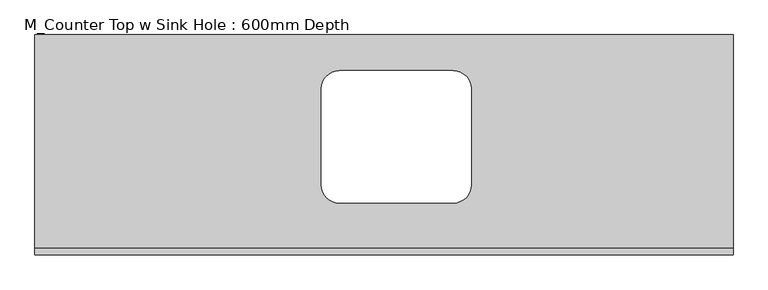
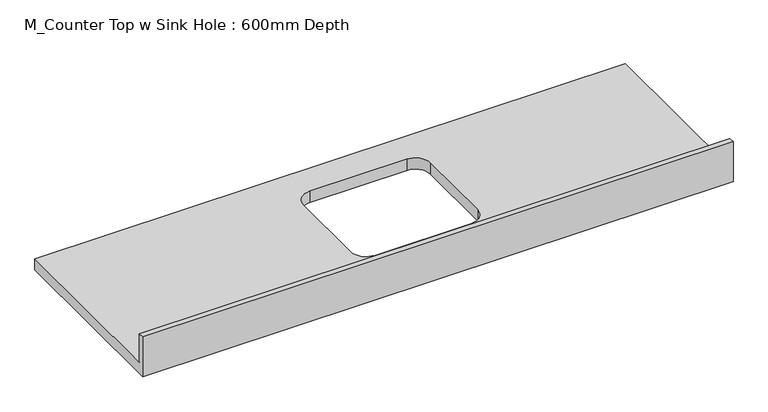
"""IFC4 building model written with IfcOpenShell, lengths in millimetres: furniture geometry, M_Counter Top w Sink Hole : 600mm Depth."""

from ifc_helpers import new_model, si_unit, frame, origin, place, context, project, spatial, polyline, circle_curve, source, transform, mapped, element, save
from ifc_brep_helpers import plane_surface, revolved_surface, advanced_brep


def m_counter_top_w_sink_hole_600mm_depth_407bc123(model_context):
    return source(origin(), model_context, "Body", "AdvancedBrep", [
        advanced_brep(
        [(-1200.4622951, 625.0, 900.0), (-1200.4622951, 19.05, 900.0), (779.5377049, 19.05, 900.0), (779.5377049, 625.0, 900.0), (-337.3622951, 147.3, 900.0), (-388.1622951, 198.1, 900.0), (-388.1622951, 471.9, 900.0), (-337.3622951, 522.7, 900.0), (-13.5622951, 522.7, 900.0), (37.2377049, 471.9, 900.0), (37.2377049, 198.1, 900.0), (-13.5622951, 147.3, 900.0), (779.5377049, 0.0, 860.0), (-1200.4622951, 0.0, 860.0), (-1200.4622951, 625.0, 860.0), (779.5377049, 625.0, 860.0), (-13.5622951, 147.3, 860.0), (37.2377049, 198.1, 860.0), (37.2377049, 471.9, 860.0), (-13.5622951, 522.7, 860.0), (-337.3622951, 522.7, 860.0), (-388.1622951, 471.9, 860.0), (-388.1622951, 198.1, 860.0), (-337.3622951, 147.3, 860.0), (779.5377049, 0.0, 1001.6), (-1200.4622951, 0.0, 1001.6), (-1200.4622951, 19.05, 1001.6), (779.5377049, 19.05, 1001.6)],
        [
            (0, 1),
            (1, 2),
            (2, 3),
            (3, 0),
            (4, 5, circle_curve(frame((-337.3622951, 198.1, 900.0), z_axis=(0.0, 0.0, -1.0), x_axis=(1.0, 0.0, 0.0)), 50.8)),
            (5, 6),
            (6, 7, circle_curve(frame((-337.3622951, 471.9, 900.0), z_axis=(0.0, 0.0, -1.0), x_axis=(1.0, 0.0, 0.0)), 50.8)),
            (7, 8),
            (8, 9, circle_curve(frame((-13.5622951, 471.9, 900.0), z_axis=(0.0, 0.0, -1.0), x_axis=(1.0, 0.0, 0.0)), 50.8)),
            (9, 10),
            (10, 11, circle_curve(frame((-13.5622951, 198.1, 900.0), z_axis=(0.0, 0.0, -1.0), x_axis=(1.0, 0.0, 0.0)), 50.8)),
            (11, 4),
            (12, 13),
            (13, 14),
            (14, 15),
            (15, 12),
            (16, 17, circle_curve(frame((-13.5622951, 198.1, 860.0), z_axis=(0.0, 0.0, 1.0), x_axis=(1.0, 0.0, 0.0)), 50.8)),
            (17, 18),
            (18, 19, circle_curve(frame((-13.5622951, 471.9, 860.0), z_axis=(0.0, 0.0, 1.0), x_axis=(1.0, 0.0, 0.0)), 50.8)),
            (19, 20),
            (20, 21, circle_curve(frame((-337.3622951, 471.9, 860.0), z_axis=(0.0, 0.0, 1.0), x_axis=(1.0, 0.0, 0.0)), 50.8)),
            (21, 22),
            (22, 23, circle_curve(frame((-337.3622951, 198.1, 860.0), z_axis=(0.0, 0.0, 1.0), x_axis=(1.0, 0.0, 0.0)), 50.8)),
            (23, 16),
            (12, 24),
            (24, 25),
            (25, 13),
            (25, 26),
            (26, 1),
            (0, 14),
            (3, 15),
            (2, 27),
            (27, 24),
            (27, 26),
            (11, 16),
            (23, 4),
            (22, 5),
            (21, 6),
            (20, 7),
            (19, 8),
            (18, 9),
            (17, 10),
        ],
        [
            plane_surface(frame((-1200.4622951, 0.0, 900.0), z_axis=(0.0, 0.0, 1.0), x_axis=(-1.0, 0.0, 0.0))),
            plane_surface(frame((-1200.4622951, 0.0, 860.0), z_axis=(0.0, 0.0, -1.0), x_axis=(1.0, 0.0, 0.0))),
            plane_surface(frame((779.5377049, 0.0, 900.0), z_axis=(0.0, -1.0, 0.0), x_axis=(0.0, 0.0, -1.0))),
            plane_surface(frame((-1200.4622951, 0.0, 900.0), z_axis=(-1.0, 0.0, 0.0), x_axis=(0.0, 0.0, -1.0))),
            plane_surface(frame((-1200.4622951, 625.0, 900.0), z_axis=(0.0, 1.0, 0.0), x_axis=(0.0, 0.0, -1.0))),
            plane_surface(frame((779.5377049, 625.0, 900.0), z_axis=(1.0, 0.0, 0.0), x_axis=(0.0, 0.0, -1.0))),
            plane_surface(frame((-1200.4622951, 0.0, 1001.6), z_axis=(0.0, 0.0, 1.0), x_axis=(0.0, 1.0, 0.0))),
            plane_surface(frame((-1200.4622951, 19.05, 1001.6), z_axis=(0.0, 1.0, 0.0), x_axis=(0.0, 0.0, -1.0))),
            plane_surface(frame((-13.5622951, 147.3, 900.0), z_axis=(0.0, 1.0, 0.0), x_axis=(0.0, 0.0, -1.0))),
            revolved_surface(polyline([(-286.5622951, 198.1, 900.0), (-286.5622951, 198.1, 860.0)]), (-337.3622951, 198.1, 860.0), (0.0, 0.0, 1.0)),
            plane_surface(frame((-388.1622951, 198.1, 900.0), z_axis=(1.0, 0.0, 0.0), x_axis=(0.0, 0.0, -1.0))),
            revolved_surface(polyline([(-286.5622951, 471.9, 900.0), (-286.5622951, 471.9, 860.0)]), (-337.3622951, 471.9, 860.0), (0.0, 0.0, 1.0)),
            plane_surface(frame((-337.3622951, 522.7, 900.0), z_axis=(0.0, -1.0, 0.0), x_axis=(0.0, 0.0, -1.0))),
            revolved_surface(polyline([(37.2377049, 471.9, 900.0), (37.2377049, 471.9, 860.0)]), (-13.5622951, 471.9, 860.0), (0.0, 0.0, 1.0)),
            plane_surface(frame((37.2377049, 471.9, 900.0), z_axis=(-1.0, 0.0, 0.0), x_axis=(0.0, 0.0, -1.0))),
            revolved_surface(polyline([(37.2377049, 198.1, 900.0), (37.2377049, 198.1, 860.0)]), (-13.5622951, 198.1, 860.0), (0.0, 0.0, 1.0)),
        ],
        [
            (0, [[1, 2, 3, 4], [5, 6, 7, 8, 9, 10, 11, 12]]),
            (1, [[13, 14, 15, 16], [17, 18, 19, 20, 21, 22, 23, 24]]),
            (2, [[25, 26, 27, -13]]),
            (3, [[-27, 28, 29, -1, 30, -14]]),
            (4, [[31, -15, -30, -4]]),
            (5, [[-31, -3, 32, 33, -25, -16]]),
            (6, [[-26, -33, 34, -28]]),
            (7, [[-32, -2, -29, -34]]),
            (8, [[-12, 35, -24, 36]]),
            (9, [[-23, 37, -5, -36]]),
            (10, [[-22, 38, -6, -37]]),
            (11, [[-21, 39, -7, -38]]),
            (12, [[-20, 40, -8, -39]]),
            (13, [[-19, 41, -9, -40]]),
            (14, [[-18, 42, -10, -41]]),
            (15, [[-11, -42, -17, -35]]),
        ],
    ),
    ])


if __name__ == "__main__":
    model = new_model("IFC4")
    model_context = context("Model", 3, world=origin())
    ifc_project = project(units=[si_unit("LENGTHUNIT", "METRE", prefix="MILLI")], contexts=[model_context])
    site = spatial("IfcSite", under=ifc_project)
    building = spatial("IfcBuilding", under=site)
    placement = place(None, origin())
    m_counter_top_w_sink_hole_600mm_depth_shape = m_counter_top_w_sink_hole_600mm_depth_407bc123(model_context)
    element("IfcFurniture", 1, ObjectType="M_Counter Top w Sink Hole : 600mm Depth", at=placement, inside=building, context=model_context, shape_type="MappedRepresentation", body=[
        mapped(m_counter_top_w_sink_hole_600mm_depth_shape, transform((0.0, 0.0, 0.0), x_axis=(1.0, 0.0, 0.0), y_axis=(0.0, 1.0, 0.0), z_axis=(0.0, 0.0, 1.0))),
    ])
    save(model, "model.ifc")
